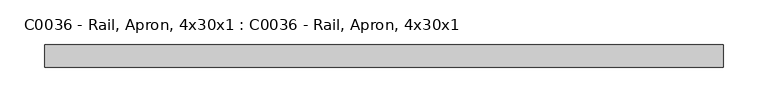
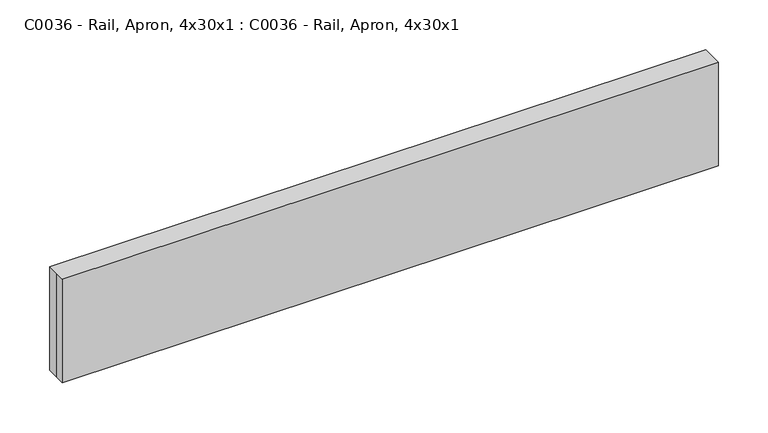
"""IFC4 building model written with IfcOpenShell, lengths in millimetres: proxy geometry, C0036 - Rail, Apron, 4x30x1 : C0036 - Rail, Apron, 4x30x1."""

from ifc_helpers import new_model, si_unit, origin, origin_with_axes, place, context, project, spatial, polyline, outline, extrude, source, transform, mapped, element, save


def c0036_rail_apron_4x30x1_c0036_rail_apron_4x30x1_26af130f(model_context):
    return source(origin(), model_context, "Body", "SweptSolid", [
        extrude(outline(polyline([(-381.0, 12.7), (381.0, 12.7), (381.0, -12.7), (-381.0, -12.7), (-381.0, 0.0), (-381.0, 12.7)])), origin_with_axes(), (0.0, 0.0, 1.0), 127.0),
        extrude(outline(polyline([(381.0, -12.7), (-381.0, -12.7), (-381.0, 12.7), (381.0, 12.7), (381.0, -12.7)])), origin_with_axes(), (0.0, 0.0, 1.0), 127.0),
    ])


if __name__ == "__main__":
    model = new_model("IFC4")
    model_context = context("Model", 3, world=origin())
    ifc_project = project(units=[si_unit("LENGTHUNIT", "METRE", prefix="MILLI")], contexts=[model_context])
    site = spatial("IfcSite", under=ifc_project)
    building = spatial("IfcBuilding", under=site)
    placement = place(None, origin())
    c0036_rail_apron_4x30x1_c0036_rail_apron_4x30x1_shape = c0036_rail_apron_4x30x1_c0036_rail_apron_4x30x1_26af130f(model_context)
    element("IfcBuildingElementProxy", 1, Name="C0036 - Rail, Apron, 4x30x1 : C0036 - Rail, Apron, 4x30x1", ObjectType="C0036 - Rail, Apron, 4x30x1 : C0036 - Rail, Apron, 4x30x1", at=placement, inside=building, context=model_context, shape_type="MappedRepresentation", body=[
        mapped(c0036_rail_apron_4x30x1_c0036_rail_apron_4x30x1_shape, transform((0.0, 0.0, 0.0), x_axis=(1.0, 0.0, 0.0), y_axis=(0.0, 1.0, 0.0), z_axis=(0.0, 0.0, 1.0))),
    ])
    save(model, "model.ifc")
